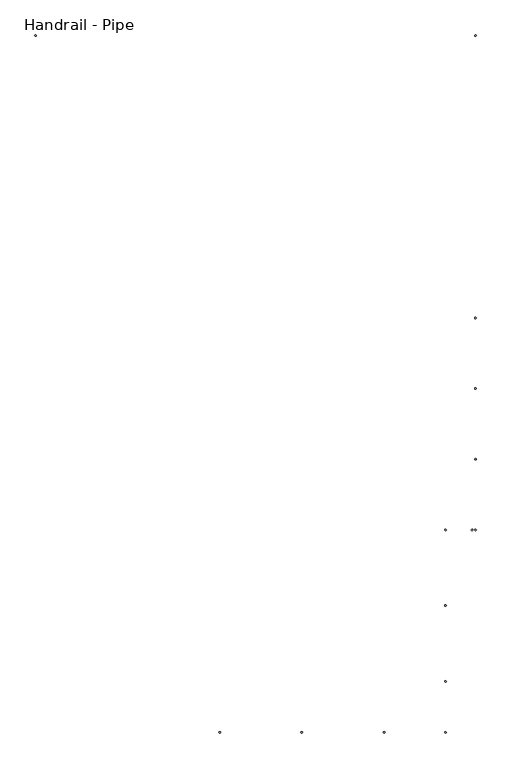
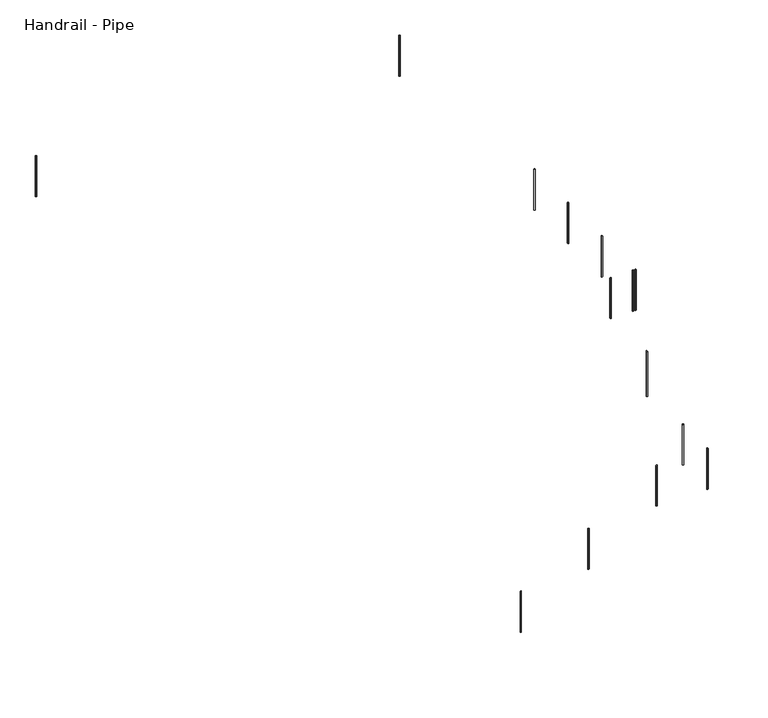
"""IFC4 building model written with IfcOpenShell, lengths in millimetres: railing geometry, Handrail - Pipe."""

from ifc_helpers import new_model, si_unit, point, frame, frame_2d, origin, place, context, project, spatial, circle_curve, ellipse_curve, trimmed, segment, composite_curve, outline, extrude, source, transform, mapped, element, save
from ifc_brep_helpers import plane_surface, cylinder_surface, advanced_brep


def handrail_pipe_bae99d61(model_context):
    return source(origin(), model_context, "Body", "SolidModel", [
        extrude(outline(composite_curve([segment(trimmed(circle_curve(frame_2d((59470.1429477, 19826.4106551)), 12.7), [point((59457.4429477, 19826.4106551))], [point((59482.8429477, 19826.4106551))], False, "CARTESIAN"), True, "CONTINUOUS"), segment(trimmed(circle_curve(frame_2d((59470.1429477, 19826.4106551)), 12.7), [point((59482.8429477, 19826.4106551))], [point((59457.4429477, 19826.4106551))], False, "CARTESIAN"), True, "CONTINUOUS")], self_intersect=False)), frame((0.0, 0.0, 3561.3473684), z_axis=(0.0, 0.0, 1.0), x_axis=(1.0, 0.0, 0.0)), (0.0, 0.0, 1.0), 876.3),
        extrude(outline(composite_curve([segment(trimmed(circle_curve(frame_2d((59470.1429477, 18630.7963694)), 12.7), [point((59457.4429477, 18630.7963694))], [point((59482.8429477, 18630.7963694))], False, "CARTESIAN"), True, "CONTINUOUS"), segment(trimmed(circle_curve(frame_2d((59470.1429477, 18630.7963694)), 12.7), [point((59482.8429477, 18630.7963694))], [point((59457.4429477, 18630.7963694))], False, "CARTESIAN"), True, "CONTINUOUS")], self_intersect=False)), frame((0.0, 0.0, 3561.3473684), z_axis=(0.0, 0.0, 1.0), x_axis=(1.0, 0.0, 0.0)), (0.0, 0.0, 1.0), 876.3),
        extrude(outline(composite_curve([segment(trimmed(circle_curve(frame_2d((59470.1429477, 17435.1820837)), 12.7), [point((59457.4429477, 17435.1820837))], [point((59482.8429477, 17435.1820837))], False, "CARTESIAN"), True, "CONTINUOUS"), segment(trimmed(circle_curve(frame_2d((59470.1429477, 17435.1820837)), 12.7), [point((59482.8429477, 17435.1820837))], [point((59457.4429477, 17435.1820837))], False, "CARTESIAN"), True, "CONTINUOUS")], self_intersect=False)), frame((0.0, 0.0, 3561.3473684), z_axis=(0.0, 0.0, 1.0), x_axis=(1.0, 0.0, 0.0)), (0.0, 0.0, 1.0), 876.3),
        advanced_brep(
        [(58974.8429477, 14956.867798, 3620.5583678), (58974.8429477, 14956.867798, 2646.9473684), (58949.4429477, 14956.867798, 2646.9473684), (58949.4429477, 14956.867798, 3620.5583678)],
        [
            (0, 1),
            (1, 2, circle_curve(frame((58962.1429477, 14956.867798, 2646.9473684), z_axis=(0.0, 0.0, 1.0), x_axis=(-1.0, 0.0, 0.0)), 12.7)),
            (2, 3),
            (3, 0, ellipse_curve(frame((58962.1429477, 14956.867798, 3620.5583678), z_axis=(0.0, 0.5339929913879813, -0.8454889030309715), x_axis=(0.0, 0.8454889030309717, 0.5339929913879812)), 15.020895, 12.7)),
            (0, 3, ellipse_curve(frame((58962.1429477, 14956.867798, 3620.5583678), z_axis=(0.0, 0.5339929913879813, -0.8454889030309715), x_axis=(0.0, 0.8454889030309717, 0.5339929913879812)), 15.020895, 12.7)),
            (2, 1, circle_curve(frame((58962.1429477, 14956.867798, 2646.9473684), z_axis=(0.0, 0.0, 1.0), x_axis=(-1.0, 0.0, 0.0)), 12.7)),
        ],
        [
            cylinder_surface(frame((58962.1429477, 14956.867798, 2418.3473684), z_axis=(0.0, 0.0, 1.0), x_axis=(-1.0, 0.0, 0.0)), 12.7),
            plane_surface(frame((58936.7429477, 14982.267798, 3636.600473), z_axis=(0.0, -0.5339929913879813, 0.8454889030309715), x_axis=(1.0, 0.0, 0.0))),
            plane_surface(frame((58936.7429477, 14931.467798, 2646.9473684), z_axis=(0.0, 0.0, -1.0), x_axis=(1.0, 0.0, 0.0))),
        ],
        [
            (0, [[1, 2, 3, 4]]),
            (0, [[-1, 5, -3, 6]]),
            (1, [[-4, -5]]),
            (2, [[-2, -6]]),
        ],
    ),
        advanced_brep(
        [(56523.7429477, 12797.867798, 1928.1162625), (56523.7429477, 12797.867798, 1058.7789474), (56523.7429477, 12823.267798, 1058.7789474), (56523.7429477, 12823.267798, 1928.1162625)],
        [
            (0, 1),
            (1, 2, circle_curve(frame((56523.7429477, 12810.567798, 1058.7789474), z_axis=(0.0, 0.0, 1.0), x_axis=(0.0, 1.0, 0.0)), 12.7)),
            (2, 3),
            (3, 0, ellipse_curve(frame((56523.7429477, 12810.567798, 1928.1162625), z_axis=(0.5339929913879797, 0.0, -0.8454889030309725), x_axis=(0.8454889030309723, 0.0, 0.5339929913879794)), 15.020895, 12.7)),
            (0, 3, ellipse_curve(frame((56523.7429477, 12810.567798, 1928.1162625), z_axis=(0.5339929913879797, 0.0, -0.8454889030309725), x_axis=(0.8454889030309723, 0.0, 0.5339929913879794)), 15.020895, 12.7)),
            (2, 1, circle_curve(frame((56523.7429477, 12810.567798, 1058.7789474), z_axis=(0.0, 0.0, 1.0), x_axis=(0.0, 1.0, 0.0)), 12.7)),
        ],
        [
            cylinder_surface(frame((56523.7429477, 12810.567798, 830.1789474), z_axis=(0.0, 0.0, 1.0), x_axis=(0.0, 1.0, 0.0)), 12.7),
            plane_surface(frame((56549.1429477, 12835.967798, 1944.1583678), z_axis=(-0.5339929913879797, 0.0, 0.8454889030309725), x_axis=(0.0, -1.0, 0.0))),
            plane_surface(frame((56498.3429477, 12835.967798, 1058.7789474), z_axis=(0.0, 0.0, -1.0), x_axis=(0.0, -1.0, 0.0))),
        ],
        [
            (0, [[1, 2, 3, 4]]),
            (0, [[-1, 5, -3, 6]]),
            (1, [[-4, -5]]),
            (2, [[-2, -6]]),
        ],
    ),
        extrude(outline(composite_curve([segment(trimmed(circle_curve(frame_2d((59470.1429477, 24608.867798)), 12.7), [point((59457.4429477, 24608.867798))], [point((59482.8429477, 24608.867798))], False, "CARTESIAN"), True, "CONTINUOUS"), segment(trimmed(circle_curve(frame_2d((59470.1429477, 24608.867798)), 12.7), [point((59482.8429477, 24608.867798))], [point((59457.4429477, 24608.867798))], False, "CARTESIAN"), True, "CONTINUOUS")], self_intersect=False)), frame((0.0, 0.0, 3561.3473684), z_axis=(0.0, 0.0, 1.0), x_axis=(1.0, 0.0, 0.0)), (0.0, 0.0, 1.0), 876.3),
        extrude(outline(composite_curve([segment(trimmed(circle_curve(frame_2d((59470.1429477, 16239.567798)), 12.7), [point((59470.1429477, 16252.267798))], [point((59470.1429477, 16226.867798))], False, "CARTESIAN"), True, "CONTINUOUS"), segment(trimmed(circle_curve(frame_2d((59470.1429477, 16239.567798)), 12.7), [point((59470.1429477, 16226.867798))], [point((59470.1429477, 16252.267798))], False, "CARTESIAN"), True, "CONTINUOUS")], self_intersect=False)), frame((0.0, 0.0, 3561.3473684), z_axis=(0.0, 0.0, 1.0), x_axis=(1.0, 0.0, 0.0)), (0.0, 0.0, 1.0), 876.3),
        extrude(outline(composite_curve([segment(trimmed(circle_curve(frame_2d((59416.1679477, 16239.567798)), 12.7), [point((59416.1679477, 16252.267798))], [point((59416.1679477, 16226.867798))], False, "CARTESIAN"), True, "CONTINUOUS"), segment(trimmed(circle_curve(frame_2d((59416.1679477, 16239.567798)), 12.7), [point((59416.1679477, 16226.867798))], [point((59416.1679477, 16252.267798))], False, "CARTESIAN"), True, "CONTINUOUS")], self_intersect=False)), frame((0.0, 0.0, 3561.3473684), z_axis=(0.0, 0.0, 1.0), x_axis=(1.0, 0.0, 0.0)), (0.0, 0.0, 1.0), 876.3),
        advanced_brep(
        [(58974.8429477, 16239.567798, 4430.6846835), (58974.8429477, 16239.567798, 3561.3473684), (58949.4429477, 16239.567798, 3561.3473684), (58949.4429477, 16239.567798, 4430.6846835)],
        [
            (0, 1),
            (1, 2, circle_curve(frame((58962.1429477, 16239.567798, 3561.3473684), z_axis=(0.0, 0.0, 1.0), x_axis=(-1.0, 0.0, 0.0)), 12.7)),
            (2, 3),
            (3, 0, ellipse_curve(frame((58962.1429477, 16239.567798, 4430.6846835), z_axis=(0.0, 0.5339929913879797, -0.8454889030309725), x_axis=(0.0, 0.8454889030309723, 0.5339929913879794)), 15.020895, 12.7)),
            (0, 3, ellipse_curve(frame((58962.1429477, 16239.567798, 4430.6846835), z_axis=(0.0, 0.5339929913879797, -0.8454889030309725), x_axis=(0.0, 0.8454889030309723, 0.5339929913879794)), 15.020895, 12.7)),
            (2, 1, circle_curve(frame((58962.1429477, 16239.567798, 3561.3473684), z_axis=(0.0, 0.0, 1.0), x_axis=(-1.0, 0.0, 0.0)), 12.7)),
        ],
        [
            cylinder_surface(frame((58962.1429477, 16239.567798, 3332.7473684), z_axis=(0.0, 0.0, 1.0), x_axis=(-1.0, 0.0, 0.0)), 12.7),
            plane_surface(frame((58936.7429477, 16264.967798, 4446.7267888), z_axis=(0.0, -0.5339929913879797, 0.8454889030309725), x_axis=(1.0, 0.0, 0.0))),
            plane_surface(frame((58936.7429477, 16214.167798, 3561.3473684), z_axis=(0.0, 0.0, -1.0), x_axis=(1.0, 0.0, 0.0))),
        ],
        [
            (0, [[1, 2, 3, 4]]),
            (0, [[-1, 5, -3, 6]]),
            (1, [[-4, -5]]),
            (2, [[-2, -6]]),
        ],
    ),
        extrude(outline(composite_curve([segment(trimmed(circle_curve(frame_2d((58962.1429477, 13674.167798)), 12.7), [point((58949.4429477, 13674.167798))], [point((58974.8429477, 13674.167798))], False, "CARTESIAN"), True, "CONTINUOUS"), segment(trimmed(circle_curve(frame_2d((58962.1429477, 13674.167798)), 12.7), [point((58974.8429477, 13674.167798))], [point((58949.4429477, 13674.167798))], False, "CARTESIAN"), True, "CONTINUOUS")], self_intersect=False)), frame((0.0, 0.0, 1941.0947368), z_axis=(0.0, 0.0, 1.0), x_axis=(1.0, 0.0, 0.0)), (0.0, 0.0, 1.0), 876.3),
        extrude(outline(composite_curve([segment(trimmed(circle_curve(frame_2d((58962.1429477, 12810.567798)), 12.7), [point((58962.1429477, 12823.267798))], [point((58962.1429477, 12797.867798))], False, "CARTESIAN"), True, "CONTINUOUS"), segment(trimmed(circle_curve(frame_2d((58962.1429477, 12810.567798)), 12.7), [point((58962.1429477, 12797.867798))], [point((58962.1429477, 12823.267798))], False, "CARTESIAN"), True, "CONTINUOUS")], self_intersect=False)), frame((0.0, 0.0, 1941.0947368), z_axis=(0.0, 0.0, 1.0), x_axis=(1.0, 0.0, 0.0)), (0.0, 0.0, 1.0), 876.3),
        advanced_brep(
        [(57920.7429477, 12797.867798, 2810.432052), (57920.7429477, 12797.867798, 1941.0947368), (57920.7429477, 12823.267798, 1941.0947368), (57920.7429477, 12823.267798, 2810.432052)],
        [
            (0, 1),
            (1, 2, circle_curve(frame((57920.7429477, 12810.567798, 1941.0947368), z_axis=(0.0, 0.0, 1.0), x_axis=(0.0, 1.0, 0.0)), 12.7)),
            (2, 3),
            (3, 0, ellipse_curve(frame((57920.7429477, 12810.567798, 2810.432052), z_axis=(0.5339929913879797, 0.0, -0.8454889030309725), x_axis=(0.8454889030309723, 0.0, 0.5339929913879794)), 15.020895, 12.7)),
            (0, 3, ellipse_curve(frame((57920.7429477, 12810.567798, 2810.432052), z_axis=(0.5339929913879797, 0.0, -0.8454889030309725), x_axis=(0.8454889030309723, 0.0, 0.5339929913879794)), 15.020895, 12.7)),
            (2, 1, circle_curve(frame((57920.7429477, 12810.567798, 1941.0947368), z_axis=(0.0, 0.0, 1.0), x_axis=(0.0, 1.0, 0.0)), 12.7)),
        ],
        [
            cylinder_surface(frame((57920.7429477, 12810.567798, 1712.4947368), z_axis=(0.0, 0.0, 1.0), x_axis=(0.0, 1.0, 0.0)), 12.7),
            plane_surface(frame((57946.1429477, 12835.967798, 2826.4741572), z_axis=(-0.5339929913879797, 0.0, 0.8454889030309725), x_axis=(0.0, -1.0, 0.0))),
            plane_surface(frame((57895.3429477, 12835.967798, 1941.0947368), z_axis=(0.0, 0.0, -1.0), x_axis=(0.0, -1.0, 0.0))),
        ],
        [
            (0, [[1, 2, 3, 4]]),
            (0, [[-1, 5, -3, 6]]),
            (1, [[-4, -5]]),
            (2, [[-2, -6]]),
        ],
    ),
        extrude(outline(composite_curve([segment(trimmed(circle_curve(frame_2d((52015.2429477, 24608.867798)), 12.7), [point((52015.2429477, 24596.167798))], [point((52015.2429477, 24621.567798))], False, "CARTESIAN"), True, "CONTINUOUS"), segment(trimmed(circle_curve(frame_2d((52015.2429477, 24608.867798)), 12.7), [point((52015.2429477, 24621.567798))], [point((52015.2429477, 24596.167798))], False, "CARTESIAN"), True, "CONTINUOUS")], self_intersect=False)), frame((0.0, 0.0, 3561.3473684), z_axis=(0.0, 0.0, 1.0), x_axis=(1.0, 0.0, 0.0)), (0.0, 0.0, 1.0), 876.3),
        advanced_brep(
        [(55139.4429477, 12797.867798, 1053.8215257), (55139.4429477, 12797.867798, 176.4631579), (55139.4429477, 12823.267798, 176.4631579), (55139.4429477, 12823.267798, 1053.8215257)],
        [
            (0, 1),
            (1, 2, circle_curve(frame((55139.4429477, 12810.567798, 176.4631579), z_axis=(0.0, 0.0, 1.0), x_axis=(0.0, 1.0, 0.0)), 12.7)),
            (2, 3),
            (3, 0, ellipse_curve(frame((55139.4429477, 12810.567798, 1053.8215257), z_axis=(0.5339929913879797, 0.0, -0.8454889030309725), x_axis=(0.8454889030309723, 0.0, 0.5339929913879794)), 15.020895, 12.7)),
            (0, 3, ellipse_curve(frame((55139.4429477, 12810.567798, 1053.8215257), z_axis=(0.5339929913879797, 0.0, -0.8454889030309725), x_axis=(0.8454889030309723, 0.0, 0.5339929913879794)), 15.020895, 12.7)),
            (2, 1, circle_curve(frame((55139.4429477, 12810.567798, 176.4631579), z_axis=(0.0, 0.0, 1.0), x_axis=(0.0, 1.0, 0.0)), 12.7)),
        ],
        [
            cylinder_surface(frame((55139.4429477, 12810.567798, -52.1368421), z_axis=(0.0, 0.0, 1.0), x_axis=(0.0, 1.0, 0.0)), 12.7),
            plane_surface(frame((55164.8429477, 12835.967798, 1069.8636309), z_axis=(-0.5339929913879797, 0.0, 0.8454889030309725), x_axis=(0.0, -1.0, 0.0))),
            plane_surface(frame((55114.0429477, 12835.967798, 176.4631579), z_axis=(0.0, 0.0, -1.0), x_axis=(0.0, -1.0, 0.0))),
        ],
        [
            (0, [[1, 2, 3, 4]]),
            (0, [[-1, 5, -3, 6]]),
            (1, [[-4, -5]]),
            (2, [[-2, -6]]),
        ],
    ),
    ])


if __name__ == "__main__":
    model = new_model("IFC4")
    model_context = context("Model", 3, world=origin())
    ifc_project = project(units=[si_unit("LENGTHUNIT", "METRE", prefix="MILLI")], contexts=[model_context])
    site = spatial("IfcSite", under=ifc_project)
    building = spatial("IfcBuilding", under=site)
    placement = place(None, origin())
    handrail_pipe_shape = handrail_pipe_bae99d61(model_context)
    element("IfcRailing", 1, ObjectType="Handrail - Pipe", at=placement, inside=building, context=model_context, shape_type="MappedRepresentation", body=[
        mapped(handrail_pipe_shape, transform((0.0, 0.0, 0.0), x_axis=(1.0, 0.0, 0.0), y_axis=(0.0, 1.0, 0.0), z_axis=(0.0, 0.0, 1.0))),
    ])
    save(model, "model.ifc")
